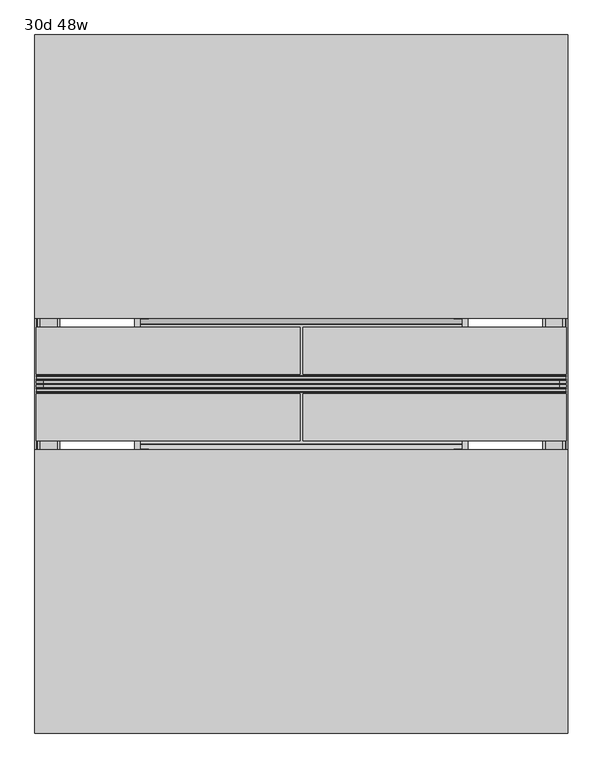
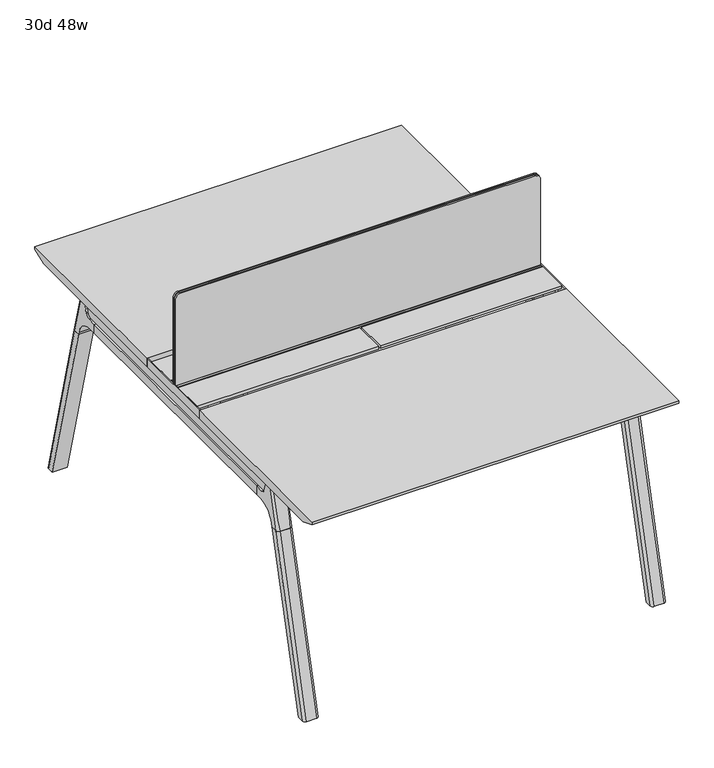
"""IFC4 building model written with IfcOpenShell, lengths in millimetres: furniture geometry, 30d 48w."""

from ifc_helpers import new_model, si_unit, point, frame, frame_2d, origin, place, context, project, spatial, polyline, circle_curve, ellipse_curve, trimmed, segment, composite_curve, outline, extrude, source, transform, mapped, element, save
from ifc_brep_helpers import plane_surface, cylinder_surface, revolved_surface, advanced_brep


def furniture_30d_48w_00a833fe(model_context):
    return source(origin(), model_context, "Body", "SolidModel", [
        extrude(outline(composite_curve([segment(polyline([(1054.89375, 803.275), (1054.89375, -371.475)]), True, "CONTINUOUS"), segment(trimmed(circle_curve(frame_2d((1039.01875, -371.475)), 15.875), [point((1054.89375, -371.475))], [point((1039.01875, -387.35))], False, "CARTESIAN"), True, "CONTINUOUS"), segment(polyline([(1039.01875, -387.35), (720.725, -387.35), (720.725, 819.15), (1039.01875, 819.15)]), True, "CONTINUOUS"), segment(trimmed(circle_curve(frame_2d((1039.01875, 803.275)), 15.875), [point((1039.01875, 819.15))], [point((1054.89375, 803.275))], False, "CARTESIAN"), True, "CONTINUOUS")], self_intersect=False)), frame((0.0, -201.3409766, 0.0), z_axis=(0.0, 1.0, 0.0), x_axis=(0.0, 0.0, 1.0)), (0.0, 0.0, 1.0), 3.175),
        extrude(outline(composite_curve([segment(polyline([(1058.06875, 806.45), (1058.06875, -374.65)]), True, "CONTINUOUS"), segment(trimmed(circle_curve(frame_2d((1042.19375, -374.65)), 15.875), [point((1058.06875, -374.65))], [point((1042.19375, -390.525))], False, "CARTESIAN"), True, "CONTINUOUS"), segment(polyline([(1042.19375, -390.525), (717.55, -390.525), (717.55, 822.325), (1042.19375, 822.325)]), True, "CONTINUOUS"), segment(trimmed(circle_curve(frame_2d((1042.19375, 806.45)), 15.875), [point((1042.19375, 822.325))], [point((1058.06875, 806.45))], False, "CARTESIAN"), True, "CONTINUOUS")], self_intersect=False)), frame((0.0, -198.1659766, 0.0), z_axis=(0.0, 1.0, 0.0), x_axis=(0.0, 0.0, 1.0)), (0.0, 0.0, 1.0), 5.55625),
        extrude(outline(composite_curve([segment(polyline([(1058.06875, 806.45), (1058.06875, -374.65)]), True, "CONTINUOUS"), segment(trimmed(circle_curve(frame_2d((1042.19375, -374.65)), 15.875), [point((1058.06875, -374.65))], [point((1042.19375, -390.525))], False, "CARTESIAN"), True, "CONTINUOUS"), segment(polyline([(1042.19375, -390.525), (717.55, -390.525), (717.55, 822.325), (1042.19375, 822.325)]), True, "CONTINUOUS"), segment(trimmed(circle_curve(frame_2d((1042.19375, 806.45)), 15.875), [point((1042.19375, 822.325))], [point((1058.06875, 806.45))], False, "CARTESIAN"), True, "CONTINUOUS")], self_intersect=False)), frame((0.0, -206.8972266, 0.0), z_axis=(0.0, 1.0, 0.0), x_axis=(0.0, 0.0, 1.0)), (0.0, 0.0, 1.0), 5.55625),
        extrude(outline(polyline([(-348.9784469, 559.4636683), (-364.040663, 627.7843353), (-35.4662901, 627.7843353), (-50.5285062, 559.4636683), (-46.7502281, 557.2647146), (-46.7502281, 549.3667827), (-62.6252238, 521.8704736), (-336.8817293, 521.8704736), (-352.756725, 549.3667827), (-352.756725, 557.2647146), (-348.9784469, 559.4636683)])), frame((584.2, 0.0, 0.0), z_axis=(1.0, 0.0, 0.0), x_axis=(0.0, 1.0, 0.0)), (0.0, 0.0, 1.0), 12.7),
        extrude(outline(polyline([(-348.9784469, 559.4636683), (-364.040663, 627.7843353), (-35.4662901, 627.7843353), (-50.5285062, 559.4636683), (-46.7502281, 557.2647146), (-46.7502281, 549.3667827), (-62.6252238, 521.8704736), (-336.8817293, 521.8704736), (-352.756725, 549.3667827), (-352.756725, 557.2647146), (-348.9784469, 559.4636683)])), frame((-165.1, 0.0, 0.0), z_axis=(1.0, 0.0, 0.0), x_axis=(0.0, 1.0, 0.0)), (0.0, 0.0, 1.0), 12.7),
        extrude(outline(polyline([(-18.0090763, 698.5), (3.7767266, 698.5), (3.7767266, 697.2935087), (-17.4495292, 697.2935087), (-19.0070753, 695.7359626), (-49.1186716, 559.1528512), (-50.5285062, 559.4636683), (-20.404074, 696.1050023), (-18.0090763, 698.5)])), frame((-165.1, 0.0, 0.0), z_axis=(1.0, 0.0, 0.0), x_axis=(0.0, 1.0, 0.0)), (0.0, 0.0, 1.0), 31.8008024),
        extrude(outline(polyline([(-381.4978768, 698.5), (-379.1028791, 696.1050023), (-348.9784469, 559.4636683), (-350.3882815, 559.1528512), (-380.4998778, 695.7359626), (-382.0574239, 697.2935087), (-403.2836797, 697.2935087), (-403.2836797, 698.5), (-381.4978768, 698.5)])), frame((-165.1, 0.0, 0.0), z_axis=(1.0, 0.0, 0.0), x_axis=(0.0, 1.0, 0.0)), (0.0, 0.0, 1.0), 31.8008024),
        extrude(outline(polyline([(-18.0090763, 698.5), (3.7767266, 698.5), (3.7767266, 697.2935087), (-17.4495292, 697.2935087), (-19.0070753, 695.7359626), (-49.1186716, 559.1528512), (-50.5285062, 559.4636683), (-20.404074, 696.1050023), (-18.0090763, 698.5)])), frame((565.0991976, 0.0, 0.0), z_axis=(1.0, 0.0, 0.0), x_axis=(0.0, 1.0, 0.0)), (0.0, 0.0, 1.0), 31.8008024),
        extrude(outline(polyline([(-381.4978768, 698.5), (-379.1028791, 696.1050023), (-348.9784469, 559.4636683), (-350.3882815, 559.1528512), (-380.4998778, 695.7359626), (-382.0574239, 697.2935087), (-403.2836797, 697.2935087), (-403.2836797, 698.5), (-381.4978768, 698.5)])), frame((565.0991976, 0.0, 0.0), z_axis=(1.0, 0.0, 0.0), x_axis=(0.0, 1.0, 0.0)), (0.0, 0.0, 1.0), 31.8008024),
        extrude(outline(polyline([(-353.550475, 557.5934966), (-351.518477, 559.6254947), (-350.957211, 559.0642287), (-352.756725, 557.2647146), (-352.756725, 549.3667827), (-352.5317745, 548.5272622), (-337.4390802, 522.3859395), (-336.0037101, 521.5572272), (-63.503243, 521.5572272), (-62.0678729, 522.3859395), (-46.9751786, 548.5272622), (-46.7502281, 549.3667827), (-46.7502281, 557.2647146), (-48.5497421, 559.0642287), (-47.9884761, 559.6254947), (-45.9564781, 557.5934966), (-45.9564781, 549.2622828), (-46.2355217, 548.2208856), (-61.4868074, 521.8048744), (-63.2905581, 520.7634772), (-336.216395, 520.7634772), (-338.0201457, 521.8048744), (-353.2714314, 548.2208856), (-353.550475, 549.2622828), (-353.550475, 557.5934966)])), frame((-165.0492037, 0.0, 0.0), z_axis=(1.0, 0.0, 0.0), x_axis=(0.0, 1.0, 0.0)), (0.0, 0.0, 1.0), 761.9492037),
        extrude(outline(polyline([(-218.8034766, 715.9625), (-218.8034766, 741.3625), (-217.2159766, 741.3625), (-217.2159766, 720.725), (-210.8659766, 720.725), (-210.8659766, 741.3625), (-209.2784766, 741.3625), (-209.2784766, 717.55), (-190.2284766, 717.55), (-190.2284766, 741.3625), (-188.6409766, 741.3625), (-188.6409766, 720.725), (-182.2909766, 720.725), (-182.2909766, 741.3625), (-180.7034766, 741.3625), (-180.7034766, 715.9625), (-218.8034766, 715.9625)])), frame((-390.525, 0.0, 0.0), z_axis=(1.0, 0.0, 0.0), x_axis=(0.0, 1.0, 0.0)), (0.0, 0.0, 1.0), 1212.85),
        extrude(outline(composite_curve([segment(polyline([(328.0902734, 711.2), (319.0321726, 677.3947076)]), True, "CONTINUOUS"), segment(trimmed(circle_curve(frame_2d((303.6981001, 681.5034599)), 15.875), [point((319.0321726, 677.3947076))], [point((303.6981001, 665.6284599))], False, "CARTESIAN"), True, "CONTINUOUS"), segment(polyline([(303.6981001, 665.6284599), (-703.2050533, 665.6284599)]), True, "CONTINUOUS"), segment(trimmed(circle_curve(frame_2d((-703.2050533, 681.5034599)), 15.875), [point((-703.2050533, 665.6284599))], [point((-718.5391258, 677.3947076))], False, "CARTESIAN"), True, "CONTINUOUS"), segment(polyline([(-718.5391258, 677.3947076), (-727.5972266, 711.2), (328.0902734, 711.2)]), True, "CONTINUOUS")], self_intersect=False)), frame((774.7, 0.0, 0.0), z_axis=(1.0, 0.0, 0.0), x_axis=(0.0, 1.0, 0.0)), (0.0, 0.0, 1.0), 38.1),
        extrude(outline(polyline([(819.15, 267.7652734), (819.15, -667.2722266), (768.35, -667.2722266), (768.35, 267.7652734), (819.15, 267.7652734)])), frame((0.0, 0.0, 635.6476591), z_axis=(0.0, 0.0, 1.0), x_axis=(1.0, 0.0, 0.0)), (0.0, 0.0, 1.0), 29.9808008),
        extrude(outline(composite_curve([segment(polyline([(328.0902734, 711.2), (319.0321726, 677.3947076)]), True, "CONTINUOUS"), segment(trimmed(circle_curve(frame_2d((303.6981001, 681.5034599)), 15.875), [point((319.0321726, 677.3947076))], [point((303.6981001, 665.6284599))], False, "CARTESIAN"), True, "CONTINUOUS"), segment(polyline([(303.6981001, 665.6284599), (-703.2050533, 665.6284599)]), True, "CONTINUOUS"), segment(trimmed(circle_curve(frame_2d((-703.2050533, 681.5034599)), 15.875), [point((-703.2050533, 665.6284599))], [point((-718.5391258, 677.3947076))], False, "CARTESIAN"), True, "CONTINUOUS"), segment(polyline([(-718.5391258, 677.3947076), (-727.5972266, 711.2), (328.0902734, 711.2)]), True, "CONTINUOUS")], self_intersect=False)), frame((-381.0, 0.0, 0.0), z_axis=(1.0, 0.0, 0.0), x_axis=(0.0, 1.0, 0.0)), (0.0, 0.0, 1.0), 38.1),
        extrude(outline(polyline([(-336.55, 267.7652734), (-336.55, -667.2722266), (-387.35, -667.2722266), (-387.35, 267.7652734), (-336.55, 267.7652734)])), frame((0.0, 0.0, 635.6476591), z_axis=(0.0, 0.0, 1.0), x_axis=(1.0, 0.0, 0.0)), (0.0, 0.0, 1.0), 29.9808008),
        advanced_brep(
        [(768.35, -721.2935553, 711.2), (768.35, -712.2354545, 677.3947076), (768.35, -696.901382, 665.6284599), (768.35, -667.2722266, 665.6284599), (768.35, -667.2722266, 635.6476591), (768.35, -690.1434588, 635.6476591), (768.35, -754.5465633, 586.2294189), (768.35, -757.1047754, 576.6820411), (768.35, -778.2087453, 576.6820411), (768.35, -742.7601017, 711.2), (819.15, -757.1047754, 576.6820411), (819.15, -754.5465633, 586.2294189), (819.15, -690.1434588, 635.6476591), (819.15, -667.2722266, 635.6476591), (819.15, -667.2722266, 665.6284599), (819.15, -696.901382, 665.6284599), (819.15, -712.2354545, 677.3947076), (819.15, -721.2935553, 711.2), (819.15, -742.7601017, 711.2), (819.15, -778.2087453, 576.6820411), (774.6138162, -752.0149462, 711.2), (812.8861838, -752.0149462, 711.2), (809.625, -788.0589247, 576.6820411), (777.875, -788.0589247, 576.6820411)],
        [
            (0, 1),
            (1, 2, circle_curve(frame((768.35, -696.901382, 681.5034599), z_axis=(1.0, 0.0, 0.0), x_axis=(0.0, -1.0, 0.0)), 15.875)),
            (2, 3),
            (3, 4),
            (4, 5),
            (5, 6, circle_curve(frame((768.35, -690.1434588, 568.9726591), z_axis=(1.0, 0.0, 0.0), x_axis=(0.0, -1.0, 0.0)), 66.675)),
            (6, 7),
            (7, 8),
            (8, 9),
            (9, 0),
            (10, 11),
            (11, 12, circle_curve(frame((819.15, -690.1434588, 568.9726591), z_axis=(-1.0, 0.0, 0.0), x_axis=(0.0, -1.0, 0.0)), 66.675)),
            (12, 13),
            (13, 14),
            (14, 15),
            (15, 16, circle_curve(frame((819.15, -696.901382, 681.5034599), z_axis=(-1.0, 0.0, 0.0), x_axis=(0.0, -1.0, 0.0)), 15.875)),
            (16, 17),
            (17, 18),
            (18, 19),
            (19, 10),
            (17, 0),
            (9, 20, ellipse_curve(frame((777.875, -742.7601017, 711.2), z_axis=(0.0, 0.0, 1.0), x_axis=(0.0, -1.0, 0.0)), 9.8501793, 9.525)),
            (20, 21),
            (21, 18, ellipse_curve(frame((809.625, -742.7601017, 711.2), z_axis=(0.0, 0.0, 1.0), x_axis=(0.0, -1.0, 0.0)), 9.8501793, 9.525)),
            (16, 1),
            (15, 2),
            (14, 3),
            (13, 4),
            (12, 5),
            (11, 6),
            (10, 7),
            (19, 22, ellipse_curve(frame((809.625, -778.2087453, 576.6820411), z_axis=(0.0, 0.0, -1.0), x_axis=(0.0, -1.0, 0.0)), 9.8501793, 9.525)),
            (22, 23),
            (23, 8, ellipse_curve(frame((777.875, -778.2087453, 576.6820411), z_axis=(0.0, 0.0, -1.0), x_axis=(0.0, -1.0, 0.0)), 9.8501793, 9.525)),
            (20, 23, ellipse_curve(frame((777.875, -191.6892106, 2802.3641142), z_axis=(0.0, -0.9659258262890684, 0.2588190451025206), x_axis=(0.0, -0.2588190451025206, -0.9659258262890684)), 2304.1956354, 9.525)),
            (22, 21, ellipse_curve(frame((809.625, -191.6892106, 2802.3641142), z_axis=(0.0, -0.9659258262890684, 0.2588190451025206), x_axis=(0.0, -0.2588190451025206, -0.9659258262890684)), 2304.1956354, 9.525)),
        ],
        [
            plane_surface(frame((768.35, -752.0149462, 711.2), z_axis=(-1.0, 0.0, 0.0), x_axis=(0.0, 1.0, 0.0))),
            plane_surface(frame((819.15, -752.0149462, 711.2), z_axis=(1.0, 0.0, 0.0), x_axis=(0.0, -1.0, 0.0))),
            plane_surface(frame((768.35, -752.0149462, 711.2), z_axis=(0.0, 0.0, 1.0), x_axis=(1.0, 0.0, 0.0))),
            plane_surface(frame((768.35, -721.2935553, 711.2), z_axis=(0.0, 0.9659258262890683, 0.2588190451025207), x_axis=(1.0, 0.0, 0.0))),
            revolved_surface(polyline([(819.15, -712.776382, 681.5034599), (768.35, -712.776382, 681.5034599)]), (819.15, -696.901382, 681.5034599), (1.0, 0.0, 0.0)),
            plane_surface(frame((768.35, -696.901382, 665.6284599), z_axis=(0.0, 0.0, 1.0), x_axis=(1.0, 0.0, 0.0))),
            plane_surface(frame((768.35, -667.2722266, 665.6284599), z_axis=(0.0, 1.0, 0.0), x_axis=(1.0, 0.0, 0.0))),
            plane_surface(frame((768.35, -667.2722266, 635.6476591), z_axis=(0.0, 0.0, -1.0), x_axis=(1.0, 0.0, 0.0))),
            revolved_surface(polyline([(819.15, -756.8184587999999, 568.9726591), (768.35, -756.8184587999999, 568.9726591)]), (819.15, -690.1434588, 568.9726591), (1.0, 0.0, 0.0)),
            plane_surface(frame((768.35, -754.5465633, 586.2294189), z_axis=(0.0, 0.9659258262890693, -0.25881904510251696), x_axis=(1.0, 0.0, 0.0))),
            plane_surface(frame((768.35, -757.1047754, 576.6820411), z_axis=(0.0, 0.0, -1.0), x_axis=(1.0, 0.0, 0.0))),
            plane_surface(frame((768.35, -788.0589247, 576.6820411), z_axis=(0.0, -0.9659258262890684, 0.2588190451025206), x_axis=(1.0, 0.0, 0.0))),
            cylinder_surface(frame((777.875, -930.8176402, -2.4271979), z_axis=(0.0, -0.25482392474081483, -0.966987470125486), x_axis=(1.0, 0.0, 0.0)), 9.525),
            cylinder_surface(frame((809.625, -930.8176402, -2.4271979), z_axis=(0.0, -0.25482392474081483, -0.966987470125486), x_axis=(1.0, 0.0, 0.0)), 9.525),
        ],
        [
            (0, [[1, 2, 3, 4, 5, 6, 7, 8, 9, 10]]),
            (1, [[11, 12, 13, 14, 15, 16, 17, 18, 19, 20]]),
            (2, [[21, -10, 22, 23, 24, -18]]),
            (3, [[-1, -21, -17, 25]]),
            (4, [[-2, -25, -16, 26]]),
            (5, [[-3, -26, -15, 27]]),
            (6, [[-4, -27, -14, 28]]),
            (7, [[-5, -28, -13, 29]]),
            (8, [[-6, -29, -12, 30]]),
            (9, [[-7, -30, -11, 31]]),
            (10, [[-31, -20, 32, 33, 34, -8]]),
            (11, [[-23, 35, -33, 36]]),
            (12, [[-9, -34, -35, -22]]),
            (13, [[-19, -24, -36, -32]]),
        ],
    ),
        advanced_brep(
        [(768.35, -757.1047754, 576.6820411), (768.35, -909.0740466, 0.0), (768.35, -930.1780165, 0.0), (768.35, -778.2087453, 576.6820411), (819.15, -909.0740466, 0.0), (819.15, -757.1047754, 576.6820411), (819.15, -778.2087453, 576.6820411), (819.15, -930.1780165, 0.0), (777.875, -788.0589247, 576.6820411), (809.625, -788.0589247, 576.6820411), (809.625, -940.0281958, 0.0), (777.875, -940.0281958, 0.0)],
        [
            (0, 1),
            (1, 2),
            (2, 3),
            (3, 0),
            (4, 5),
            (5, 6),
            (6, 7),
            (7, 4),
            (5, 0),
            (3, 8, ellipse_curve(frame((777.875, -778.2087453, 576.6820411), z_axis=(0.0, 0.0, 1.0), x_axis=(0.0, -1.0, 0.0)), 9.8501793, 9.525)),
            (8, 9),
            (9, 6, ellipse_curve(frame((809.625, -778.2087453, 576.6820411), z_axis=(0.0, 0.0, 1.0), x_axis=(0.0, -1.0, 0.0)), 9.8501793, 9.525)),
            (4, 1),
            (7, 10, ellipse_curve(frame((809.625, -930.1780165, 0.0), z_axis=(0.0, 0.0, -1.0), x_axis=(0.0, -1.0, 0.0)), 9.8501793, 9.525)),
            (10, 11),
            (11, 2, ellipse_curve(frame((777.875, -930.1780165, 0.0), z_axis=(0.0, 0.0, -1.0), x_axis=(0.0, -1.0, 0.0)), 9.8501793, 9.525)),
            (8, 11),
            (10, 9),
        ],
        [
            plane_surface(frame((768.35, -788.0589247, 576.6820411), z_axis=(-1.0, 0.0, 0.0), x_axis=(0.0, 1.0, 0.0))),
            plane_surface(frame((819.15, -788.0589247, 576.6820411), z_axis=(1.0, 0.0, 0.0), x_axis=(0.0, -1.0, 0.0))),
            plane_surface(frame((768.35, -788.0589247, 576.6820411), z_axis=(0.0, 0.0, 1.0), x_axis=(1.0, 0.0, 0.0))),
            plane_surface(frame((768.35, -757.1047754, 576.6820411), z_axis=(0.0, 0.9669874701254844, -0.2548239247408208), x_axis=(1.0, 0.0, 0.0))),
            plane_surface(frame((768.35, -909.0740466, 0.0), z_axis=(0.0, 0.0, -1.0), x_axis=(1.0, 0.0, 0.0))),
            plane_surface(frame((768.35, -940.0281958, 0.0), z_axis=(0.0, -0.9669874701254855, 0.2548239247408166), x_axis=(1.0, 0.0, 0.0))),
            cylinder_surface(frame((777.875, -930.8176402, -2.4271979), z_axis=(0.0, -0.25482392474081483, -0.966987470125486), x_axis=(1.0, 0.0, 0.0)), 9.525),
            cylinder_surface(frame((809.625, -930.8176402, -2.4271979), z_axis=(0.0, -0.25482392474081483, -0.966987470125486), x_axis=(1.0, 0.0, 0.0)), 9.525),
        ],
        [
            (0, [[1, 2, 3, 4]]),
            (1, [[5, 6, 7, 8]]),
            (2, [[9, -4, 10, 11, 12, -6]]),
            (3, [[-1, -9, -5, 13]]),
            (4, [[-13, -8, 14, 15, 16, -2]]),
            (5, [[-11, 17, -15, 18]]),
            (6, [[-3, -16, -17, -10]]),
            (7, [[-7, -12, -18, -14]]),
        ],
    ),
        advanced_brep(
        [(819.15, 321.7866022, 711.2), (819.15, 312.7285014, 677.3947076), (819.15, 297.3944289, 665.6284599), (819.15, 267.7652734, 665.6284599), (819.15, 267.7652734, 635.6476591), (819.15, 290.6365057, 635.6476591), (819.15, 355.0396101, 586.2294189), (819.15, 357.5978223, 576.6820411), (819.15, 378.7017922, 576.6820411), (819.15, 343.2531486, 711.2), (768.35, 357.5978223, 576.6820411), (768.35, 355.0396101, 586.2294189), (768.35, 290.6365057, 635.6476591), (768.35, 267.7652734, 635.6476591), (768.35, 267.7652734, 665.6284599), (768.35, 297.3944289, 665.6284599), (768.35, 312.7285014, 677.3947076), (768.35, 321.7866022, 711.2), (768.35, 343.2531486, 711.2), (768.35, 378.7017922, 576.6820411), (812.8861838, 352.5079931, 711.2), (774.6138162, 352.5079931, 711.2), (777.875, 388.5519716, 576.6820411), (809.625, 388.5519716, 576.6820411)],
        [
            (0, 1),
            (1, 2, circle_curve(frame((819.15, 297.3944289, 681.5034599), z_axis=(-1.0, 0.0, 0.0), x_axis=(0.0, 1.0, 0.0)), 15.875)),
            (2, 3),
            (3, 4),
            (4, 5),
            (5, 6, circle_curve(frame((819.15, 290.6365057, 568.9726591), z_axis=(-1.0, 0.0, 0.0), x_axis=(0.0, 1.0, 0.0)), 66.675)),
            (6, 7),
            (7, 8),
            (8, 9),
            (9, 0),
            (10, 11),
            (11, 12, circle_curve(frame((768.35, 290.6365057, 568.9726591), z_axis=(1.0, 0.0, 0.0), x_axis=(0.0, 1.0, 0.0)), 66.675)),
            (12, 13),
            (13, 14),
            (14, 15),
            (15, 16, circle_curve(frame((768.35, 297.3944289, 681.5034599), z_axis=(1.0, 0.0, 0.0), x_axis=(0.0, 1.0, 0.0)), 15.875)),
            (16, 17),
            (17, 18),
            (18, 19),
            (19, 10),
            (17, 0),
            (9, 20, ellipse_curve(frame((809.625, 343.2531486, 711.2), z_axis=(0.0, 0.0, 1.0), x_axis=(0.0, 1.0, 0.0)), 9.8501793, 9.525)),
            (20, 21),
            (21, 18, ellipse_curve(frame((777.875, 343.2531486, 711.2), z_axis=(0.0, 0.0, 1.0), x_axis=(0.0, 1.0, 0.0)), 9.8501793, 9.525)),
            (16, 1),
            (15, 2),
            (14, 3),
            (13, 4),
            (12, 5),
            (11, 6),
            (10, 7),
            (19, 22, ellipse_curve(frame((777.875, 378.7017922, 576.6820411), z_axis=(0.0, 0.0, -1.0), x_axis=(0.0, 1.0, 0.0)), 9.8501793, 9.525)),
            (22, 23),
            (23, 8, ellipse_curve(frame((809.625, 378.7017922, 576.6820411), z_axis=(0.0, 0.0, -1.0), x_axis=(0.0, 1.0, 0.0)), 9.8501793, 9.525)),
            (20, 23, ellipse_curve(frame((809.625, -207.8177425, 2802.3641142), z_axis=(0.0, 0.9659258262890684, 0.2588190451025206), x_axis=(0.0, 0.2588190451025206, -0.9659258262890684)), 2304.1956354, 9.525)),
            (22, 21, ellipse_curve(frame((777.875, -207.8177425, 2802.3641142), z_axis=(0.0, 0.9659258262890684, 0.2588190451025206), x_axis=(0.0, 0.2588190451025206, -0.9659258262890684)), 2304.1956354, 9.525)),
        ],
        [
            plane_surface(frame((819.15, 352.5079931, 711.2), z_axis=(1.0, 0.0, 0.0), x_axis=(0.0, -1.0, 0.0))),
            plane_surface(frame((768.35, 352.5079931, 711.2), z_axis=(-1.0, 0.0, 0.0), x_axis=(0.0, 1.0, 0.0))),
            plane_surface(frame((819.15, 352.5079931, 711.2), z_axis=(0.0, 0.0, 1.0), x_axis=(-1.0, 0.0, 0.0))),
            plane_surface(frame((819.15, 321.7866022, 711.2), z_axis=(0.0, -0.9659258262890683, 0.2588190451025207), x_axis=(-1.0, 0.0, 0.0))),
            revolved_surface(polyline([(768.35, 313.2694289, 681.5034599), (819.15, 313.2694289, 681.5034599)]), (768.35, 297.3944289, 681.5034599), (-1.0, 0.0, 0.0)),
            plane_surface(frame((819.15, 297.3944289, 665.6284599), z_axis=(0.0, 0.0, 1.0), x_axis=(-1.0, 0.0, 0.0))),
            plane_surface(frame((819.15, 267.7652734, 665.6284599), z_axis=(0.0, -1.0, 0.0), x_axis=(-1.0, 0.0, 0.0))),
            plane_surface(frame((819.15, 267.7652734, 635.6476591), z_axis=(0.0, 0.0, -1.0), x_axis=(-1.0, 0.0, 0.0))),
            revolved_surface(polyline([(768.35, 357.3115057, 568.9726591), (819.15, 357.3115057, 568.9726591)]), (768.35, 290.6365057, 568.9726591), (-1.0, 0.0, 0.0)),
            plane_surface(frame((819.15, 355.0396101, 586.2294189), z_axis=(0.0, -0.9659258262890693, -0.25881904510251696), x_axis=(-1.0, 0.0, 0.0))),
            plane_surface(frame((819.15, 357.5978223, 576.6820411), z_axis=(0.0, 0.0, -1.0), x_axis=(-1.0, 0.0, 0.0))),
            plane_surface(frame((819.15, 388.5519716, 576.6820411), z_axis=(0.0, 0.9659258262890684, 0.2588190451025206), x_axis=(-1.0, 0.0, 0.0))),
            cylinder_surface(frame((809.625, 531.3106871, -2.4271979), z_axis=(0.0, 0.25482392474081483, -0.966987470125486), x_axis=(-1.0, 0.0, 0.0)), 9.525),
            cylinder_surface(frame((777.875, 531.3106871, -2.4271979), z_axis=(0.0, 0.25482392474081483, -0.966987470125486), x_axis=(-1.0, 0.0, 0.0)), 9.525),
        ],
        [
            (0, [[1, 2, 3, 4, 5, 6, 7, 8, 9, 10]]),
            (1, [[11, 12, 13, 14, 15, 16, 17, 18, 19, 20]]),
            (2, [[21, -10, 22, 23, 24, -18]]),
            (3, [[-1, -21, -17, 25]]),
            (4, [[-2, -25, -16, 26]]),
            (5, [[-3, -26, -15, 27]]),
            (6, [[-4, -27, -14, 28]]),
            (7, [[-5, -28, -13, 29]]),
            (8, [[-6, -29, -12, 30]]),
            (9, [[-7, -30, -11, 31]]),
            (10, [[-31, -20, 32, 33, 34, -8]]),
            (11, [[-23, 35, -33, 36]]),
            (12, [[-9, -34, -35, -22]]),
            (13, [[-19, -24, -36, -32]]),
        ],
    ),
        advanced_brep(
        [(819.15, 357.5978223, 576.6820411), (819.15, 509.5670935, 0.0), (819.15, 530.6710634, 0.0), (819.15, 378.7017922, 576.6820411), (768.35, 509.5670935, 0.0), (768.35, 357.5978223, 576.6820411), (768.35, 378.7017922, 576.6820411), (768.35, 530.6710634, 0.0), (809.625, 388.5519716, 576.6820411), (777.875, 388.5519716, 576.6820411), (777.875, 540.5212427, 0.0), (809.625, 540.5212427, 0.0)],
        [
            (0, 1),
            (1, 2),
            (2, 3),
            (3, 0),
            (4, 5),
            (5, 6),
            (6, 7),
            (7, 4),
            (5, 0),
            (3, 8, ellipse_curve(frame((809.625, 378.7017922, 576.6820411), z_axis=(0.0, 0.0, 1.0), x_axis=(0.0, 1.0, 0.0)), 9.8501793, 9.525)),
            (8, 9),
            (9, 6, ellipse_curve(frame((777.875, 378.7017922, 576.6820411), z_axis=(0.0, 0.0, 1.0), x_axis=(0.0, 1.0, 0.0)), 9.8501793, 9.525)),
            (4, 1),
            (7, 10, ellipse_curve(frame((777.875, 530.6710634, 0.0), z_axis=(0.0, 0.0, -1.0), x_axis=(0.0, 1.0, 0.0)), 9.8501793, 9.525)),
            (10, 11),
            (11, 2, ellipse_curve(frame((809.625, 530.6710634, 0.0), z_axis=(0.0, 0.0, -1.0), x_axis=(0.0, 1.0, 0.0)), 9.8501793, 9.525)),
            (8, 11),
            (10, 9),
        ],
        [
            plane_surface(frame((819.15, 388.5519716, 576.6820411), z_axis=(1.0, 0.0, 0.0), x_axis=(0.0, -1.0, 0.0))),
            plane_surface(frame((768.35, 388.5519716, 576.6820411), z_axis=(-1.0, 0.0, 0.0), x_axis=(0.0, 1.0, 0.0))),
            plane_surface(frame((819.15, 388.5519716, 576.6820411), z_axis=(0.0, 0.0, 1.0), x_axis=(-1.0, 0.0, 0.0))),
            plane_surface(frame((819.15, 357.5978223, 576.6820411), z_axis=(0.0, -0.9669874701254844, -0.2548239247408208), x_axis=(-1.0, 0.0, 0.0))),
            plane_surface(frame((819.15, 509.5670935, 0.0), z_axis=(0.0, 0.0, -1.0), x_axis=(-1.0, 0.0, 0.0))),
            plane_surface(frame((819.15, 540.5212427, 0.0), z_axis=(0.0, 0.9669874701254855, 0.2548239247408166), x_axis=(-1.0, 0.0, 0.0))),
            cylinder_surface(frame((809.625, 531.3106871, -2.4271979), z_axis=(0.0, 0.25482392474081483, -0.966987470125486), x_axis=(-1.0, 0.0, 0.0)), 9.525),
            cylinder_surface(frame((777.875, 531.3106871, -2.4271979), z_axis=(0.0, 0.25482392474081483, -0.966987470125486), x_axis=(-1.0, 0.0, 0.0)), 9.525),
        ],
        [
            (0, [[1, 2, 3, 4]]),
            (1, [[5, 6, 7, 8]]),
            (2, [[9, -4, 10, 11, 12, -6]]),
            (3, [[-1, -9, -5, 13]]),
            (4, [[-13, -8, 14, 15, 16, -2]]),
            (5, [[-11, 17, -15, 18]]),
            (6, [[-3, -16, -17, -10]]),
            (7, [[-7, -12, -18, -14]]),
        ],
    ),
        advanced_brep(
        [(-336.55, 321.7866022, 711.2), (-336.55, 312.7285014, 677.3947076), (-336.55, 297.3944289, 665.6284599), (-336.55, 267.7652734, 665.6284599), (-336.55, 267.7652734, 635.6476591), (-336.55, 290.6365057, 635.6476591), (-336.55, 355.0396101, 586.2294189), (-336.55, 357.5978223, 576.6820411), (-336.55, 378.7017922, 576.6820411), (-336.55, 343.2531486, 711.2), (-387.35, 357.5978223, 576.6820411), (-387.35, 355.0396101, 586.2294189), (-387.35, 290.6365057, 635.6476591), (-387.35, 267.7652734, 635.6476591), (-387.35, 267.7652734, 665.6284599), (-387.35, 297.3944289, 665.6284599), (-387.35, 312.7285014, 677.3947076), (-387.35, 321.7866022, 711.2), (-387.35, 343.2531486, 711.2), (-387.35, 378.7017922, 576.6820411), (-342.8138162, 352.5079931, 711.2), (-381.0861838, 352.5079931, 711.2), (-377.825, 388.5519716, 576.6820411), (-346.075, 388.5519716, 576.6820411)],
        [
            (0, 1),
            (1, 2, circle_curve(frame((-336.55, 297.3944289, 681.5034599), z_axis=(-1.0, 0.0, 0.0), x_axis=(0.0, 1.0, 0.0)), 15.875)),
            (2, 3),
            (3, 4),
            (4, 5),
            (5, 6, circle_curve(frame((-336.55, 290.6365057, 568.9726591), z_axis=(-1.0, 0.0, 0.0), x_axis=(0.0, 1.0, 0.0)), 66.675)),
            (6, 7),
            (7, 8),
            (8, 9),
            (9, 0),
            (10, 11),
            (11, 12, circle_curve(frame((-387.35, 290.6365057, 568.9726591), z_axis=(1.0, 0.0, 0.0), x_axis=(0.0, 1.0, 0.0)), 66.675)),
            (12, 13),
            (13, 14),
            (14, 15),
            (15, 16, circle_curve(frame((-387.35, 297.3944289, 681.5034599), z_axis=(1.0, 0.0, 0.0), x_axis=(0.0, 1.0, 0.0)), 15.875)),
            (16, 17),
            (17, 18),
            (18, 19),
            (19, 10),
            (17, 0),
            (9, 20, ellipse_curve(frame((-346.075, 343.2531486, 711.2), z_axis=(0.0, 0.0, 1.0), x_axis=(0.0, 1.0, 0.0)), 9.8501793, 9.525)),
            (20, 21),
            (21, 18, ellipse_curve(frame((-377.825, 343.2531486, 711.2), z_axis=(0.0, 0.0, 1.0), x_axis=(0.0, 1.0, 0.0)), 9.8501793, 9.525)),
            (16, 1),
            (15, 2),
            (14, 3),
            (13, 4),
            (12, 5),
            (11, 6),
            (10, 7),
            (19, 22, ellipse_curve(frame((-377.825, 378.7017922, 576.6820411), z_axis=(0.0, 0.0, -1.0), x_axis=(0.0, 1.0, 0.0)), 9.8501793, 9.525)),
            (22, 23),
            (23, 8, ellipse_curve(frame((-346.075, 378.7017922, 576.6820411), z_axis=(0.0, 0.0, -1.0), x_axis=(0.0, 1.0, 0.0)), 9.8501793, 9.525)),
            (20, 23, ellipse_curve(frame((-346.075, -207.8177425, 2802.3641142), z_axis=(0.0, 0.9659258262890684, 0.2588190451025206), x_axis=(0.0, 0.2588190451025206, -0.9659258262890684)), 2304.1956354, 9.525)),
            (22, 21, ellipse_curve(frame((-377.825, -207.8177425, 2802.3641142), z_axis=(0.0, 0.9659258262890684, 0.2588190451025206), x_axis=(0.0, 0.2588190451025206, -0.9659258262890684)), 2304.1956354, 9.525)),
        ],
        [
            plane_surface(frame((-336.55, 352.5079931, 711.2), z_axis=(1.0, 0.0, 0.0), x_axis=(0.0, -1.0, 0.0))),
            plane_surface(frame((-387.35, 352.5079931, 711.2), z_axis=(-1.0, 0.0, 0.0), x_axis=(0.0, 1.0, 0.0))),
            plane_surface(frame((-336.55, 352.5079931, 711.2), z_axis=(0.0, 0.0, 1.0), x_axis=(-1.0, 0.0, 0.0))),
            plane_surface(frame((-336.55, 321.7866022, 711.2), z_axis=(0.0, -0.9659258262890683, 0.2588190451025207), x_axis=(-1.0, 0.0, 0.0))),
            revolved_surface(polyline([(-387.35, 313.2694289, 681.5034599), (-336.55, 313.2694289, 681.5034599)]), (-387.35, 297.3944289, 681.5034599), (-1.0, 0.0, 0.0)),
            plane_surface(frame((-336.55, 297.3944289, 665.6284599), z_axis=(0.0, 0.0, 1.0), x_axis=(-1.0, 0.0, 0.0))),
            plane_surface(frame((-336.55, 267.7652734, 665.6284599), z_axis=(0.0, -1.0, 0.0), x_axis=(-1.0, 0.0, 0.0))),
            plane_surface(frame((-336.55, 267.7652734, 635.6476591), z_axis=(0.0, 0.0, -1.0), x_axis=(-1.0, 0.0, 0.0))),
            revolved_surface(polyline([(-387.35, 357.3115057, 568.9726591), (-336.55, 357.3115057, 568.9726591)]), (-387.35, 290.6365057, 568.9726591), (-1.0, 0.0, 0.0)),
            plane_surface(frame((-336.55, 355.0396101, 586.2294189), z_axis=(0.0, -0.9659258262890693, -0.25881904510251696), x_axis=(-1.0, 0.0, 0.0))),
            plane_surface(frame((-336.55, 357.5978223, 576.6820411), z_axis=(0.0, 0.0, -1.0), x_axis=(-1.0, 0.0, 0.0))),
            plane_surface(frame((-336.55, 388.5519716, 576.6820411), z_axis=(0.0, 0.9659258262890684, 0.2588190451025206), x_axis=(-1.0, 0.0, 0.0))),
            cylinder_surface(frame((-346.075, 531.3106871, -2.4271979), z_axis=(0.0, 0.25482392474081483, -0.966987470125486), x_axis=(-1.0, 0.0, 0.0)), 9.525),
            cylinder_surface(frame((-377.825, 531.3106871, -2.4271979), z_axis=(0.0, 0.25482392474081483, -0.966987470125486), x_axis=(-1.0, 0.0, 0.0)), 9.525),
        ],
        [
            (0, [[1, 2, 3, 4, 5, 6, 7, 8, 9, 10]]),
            (1, [[11, 12, 13, 14, 15, 16, 17, 18, 19, 20]]),
            (2, [[21, -10, 22, 23, 24, -18]]),
            (3, [[-1, -21, -17, 25]]),
            (4, [[-2, -25, -16, 26]]),
            (5, [[-3, -26, -15, 27]]),
            (6, [[-4, -27, -14, 28]]),
            (7, [[-5, -28, -13, 29]]),
            (8, [[-6, -29, -12, 30]]),
            (9, [[-7, -30, -11, 31]]),
            (10, [[-31, -20, 32, 33, 34, -8]]),
            (11, [[-23, 35, -33, 36]]),
            (12, [[-9, -34, -35, -22]]),
            (13, [[-19, -24, -36, -32]]),
        ],
    ),
        advanced_brep(
        [(-336.55, 357.5978223, 576.6820411), (-336.55, 509.5670935, 0.0), (-336.55, 530.6710634, 0.0), (-336.55, 378.7017922, 576.6820411), (-387.35, 509.5670935, 0.0), (-387.35, 357.5978223, 576.6820411), (-387.35, 378.7017922, 576.6820411), (-387.35, 530.6710634, 0.0), (-346.075, 388.5519716, 576.6820411), (-377.825, 388.5519716, 576.6820411), (-377.825, 540.5212427, 0.0), (-346.075, 540.5212427, 0.0)],
        [
            (0, 1),
            (1, 2),
            (2, 3),
            (3, 0),
            (4, 5),
            (5, 6),
            (6, 7),
            (7, 4),
            (5, 0),
            (3, 8, ellipse_curve(frame((-346.075, 378.7017922, 576.6820411), z_axis=(0.0, 0.0, 1.0), x_axis=(0.0, 1.0, 0.0)), 9.8501793, 9.525)),
            (8, 9),
            (9, 6, ellipse_curve(frame((-377.825, 378.7017922, 576.6820411), z_axis=(0.0, 0.0, 1.0), x_axis=(0.0, 1.0, 0.0)), 9.8501793, 9.525)),
            (4, 1),
            (7, 10, ellipse_curve(frame((-377.825, 530.6710634, 0.0), z_axis=(0.0, 0.0, -1.0), x_axis=(0.0, 1.0, 0.0)), 9.8501793, 9.525)),
            (10, 11),
            (11, 2, ellipse_curve(frame((-346.075, 530.6710634, 0.0), z_axis=(0.0, 0.0, -1.0), x_axis=(0.0, 1.0, 0.0)), 9.8501793, 9.525)),
            (8, 11),
            (10, 9),
        ],
        [
            plane_surface(frame((-336.55, 388.5519716, 576.6820411), z_axis=(1.0, 0.0, 0.0), x_axis=(0.0, -1.0, 0.0))),
            plane_surface(frame((-387.35, 388.5519716, 576.6820411), z_axis=(-1.0, 0.0, 0.0), x_axis=(0.0, 1.0, 0.0))),
            plane_surface(frame((-336.55, 388.5519716, 576.6820411), z_axis=(0.0, 0.0, 1.0), x_axis=(-1.0, 0.0, 0.0))),
            plane_surface(frame((-336.55, 357.5978223, 576.6820411), z_axis=(0.0, -0.9669874701254844, -0.2548239247408208), x_axis=(-1.0, 0.0, 0.0))),
            plane_surface(frame((-336.55, 509.5670935, 0.0), z_axis=(0.0, 0.0, -1.0), x_axis=(-1.0, 0.0, 0.0))),
            plane_surface(frame((-336.55, 540.5212427, 0.0), z_axis=(0.0, 0.9669874701254855, 0.2548239247408166), x_axis=(-1.0, 0.0, 0.0))),
            cylinder_surface(frame((-346.075, 531.3106871, -2.4271979), z_axis=(0.0, 0.25482392474081483, -0.966987470125486), x_axis=(-1.0, 0.0, 0.0)), 9.525),
            cylinder_surface(frame((-377.825, 531.3106871, -2.4271979), z_axis=(0.0, 0.25482392474081483, -0.966987470125486), x_axis=(-1.0, 0.0, 0.0)), 9.525),
        ],
        [
            (0, [[1, 2, 3, 4]]),
            (1, [[5, 6, 7, 8]]),
            (2, [[9, -4, 10, 11, 12, -6]]),
            (3, [[-1, -9, -5, 13]]),
            (4, [[-13, -8, 14, 15, 16, -2]]),
            (5, [[-11, 17, -15, 18]]),
            (6, [[-3, -16, -17, -10]]),
            (7, [[-7, -12, -18, -14]]),
        ],
    ),
        advanced_brep(
        [(-387.35, -721.2935553, 711.2), (-387.35, -712.2354545, 677.3947076), (-387.35, -696.901382, 665.6284599), (-387.35, -667.2722266, 665.6284599), (-387.35, -667.2722266, 635.6476591), (-387.35, -690.1434588, 635.6476591), (-387.35, -754.5465633, 586.2294189), (-387.35, -757.1047754, 576.6820411), (-387.35, -778.2087453, 576.6820411), (-387.35, -742.7601017, 711.2), (-336.55, -757.1047754, 576.6820411), (-336.55, -754.5465633, 586.2294189), (-336.55, -690.1434588, 635.6476591), (-336.55, -667.2722266, 635.6476591), (-336.55, -667.2722266, 665.6284599), (-336.55, -696.901382, 665.6284599), (-336.55, -712.2354545, 677.3947076), (-336.55, -721.2935553, 711.2), (-336.55, -742.7601017, 711.2), (-336.55, -778.2087453, 576.6820411), (-381.0861838, -752.0149462, 711.2), (-342.8138162, -752.0149462, 711.2), (-346.075, -788.0589247, 576.6820411), (-377.825, -788.0589247, 576.6820411)],
        [
            (0, 1),
            (1, 2, circle_curve(frame((-387.35, -696.901382, 681.5034599), z_axis=(1.0, 0.0, 0.0), x_axis=(0.0, -1.0, 0.0)), 15.875)),
            (2, 3),
            (3, 4),
            (4, 5),
            (5, 6, circle_curve(frame((-387.35, -690.1434588, 568.9726591), z_axis=(1.0, 0.0, 0.0), x_axis=(0.0, -1.0, 0.0)), 66.675)),
            (6, 7),
            (7, 8),
            (8, 9),
            (9, 0),
            (10, 11),
            (11, 12, circle_curve(frame((-336.55, -690.1434588, 568.9726591), z_axis=(-1.0, 0.0, 0.0), x_axis=(0.0, -1.0, 0.0)), 66.675)),
            (12, 13),
            (13, 14),
            (14, 15),
            (15, 16, circle_curve(frame((-336.55, -696.901382, 681.5034599), z_axis=(-1.0, 0.0, 0.0), x_axis=(0.0, -1.0, 0.0)), 15.875)),
            (16, 17),
            (17, 18),
            (18, 19),
            (19, 10),
            (17, 0),
            (9, 20, ellipse_curve(frame((-377.825, -742.7601017, 711.2), z_axis=(0.0, 0.0, 1.0), x_axis=(0.0, -1.0, 0.0)), 9.8501793, 9.525)),
            (20, 21),
            (21, 18, ellipse_curve(frame((-346.075, -742.7601017, 711.2), z_axis=(0.0, 0.0, 1.0), x_axis=(0.0, -1.0, 0.0)), 9.8501793, 9.525)),
            (16, 1),
            (15, 2),
            (14, 3),
            (13, 4),
            (12, 5),
            (11, 6),
            (10, 7),
            (19, 22, ellipse_curve(frame((-346.075, -778.2087453, 576.6820411), z_axis=(0.0, 0.0, -1.0), x_axis=(0.0, -1.0, 0.0)), 9.8501793, 9.525)),
            (22, 23),
            (23, 8, ellipse_curve(frame((-377.825, -778.2087453, 576.6820411), z_axis=(0.0, 0.0, -1.0), x_axis=(0.0, -1.0, 0.0)), 9.8501793, 9.525)),
            (20, 23, ellipse_curve(frame((-377.825, -191.6892106, 2802.3641142), z_axis=(0.0, -0.9659258262890684, 0.2588190451025206), x_axis=(0.0, -0.2588190451025206, -0.9659258262890684)), 2304.1956354, 9.525)),
            (22, 21, ellipse_curve(frame((-346.075, -191.6892106, 2802.3641142), z_axis=(0.0, -0.9659258262890684, 0.2588190451025206), x_axis=(0.0, -0.2588190451025206, -0.9659258262890684)), 2304.1956354, 9.525)),
        ],
        [
            plane_surface(frame((-387.35, -752.0149462, 711.2), z_axis=(-1.0, 0.0, 0.0), x_axis=(0.0, 1.0, 0.0))),
            plane_surface(frame((-336.55, -752.0149462, 711.2), z_axis=(1.0, 0.0, 0.0), x_axis=(0.0, -1.0, 0.0))),
            plane_surface(frame((-387.35, -752.0149462, 711.2), z_axis=(0.0, 0.0, 1.0), x_axis=(1.0, 0.0, 0.0))),
            plane_surface(frame((-387.35, -721.2935553, 711.2), z_axis=(0.0, 0.9659258262890683, 0.2588190451025207), x_axis=(1.0, 0.0, 0.0))),
            revolved_surface(polyline([(-336.55, -712.776382, 681.5034599), (-387.35, -712.776382, 681.5034599)]), (-336.55, -696.901382, 681.5034599), (1.0, 0.0, 0.0)),
            plane_surface(frame((-387.35, -696.901382, 665.6284599), z_axis=(0.0, 0.0, 1.0), x_axis=(1.0, 0.0, 0.0))),
            plane_surface(frame((-387.35, -667.2722266, 665.6284599), z_axis=(0.0, 1.0, 0.0), x_axis=(1.0, 0.0, 0.0))),
            plane_surface(frame((-387.35, -667.2722266, 635.6476591), z_axis=(0.0, 0.0, -1.0), x_axis=(1.0, 0.0, 0.0))),
            revolved_surface(polyline([(-336.55, -756.8184587999999, 568.9726591), (-387.35, -756.8184587999999, 568.9726591)]), (-336.55, -690.1434588, 568.9726591), (1.0, 0.0, 0.0)),
            plane_surface(frame((-387.35, -754.5465633, 586.2294189), z_axis=(0.0, 0.9659258262890693, -0.25881904510251696), x_axis=(1.0, 0.0, 0.0))),
            plane_surface(frame((-387.35, -757.1047754, 576.6820411), z_axis=(0.0, 0.0, -1.0), x_axis=(1.0, 0.0, 0.0))),
            plane_surface(frame((-387.35, -788.0589247, 576.6820411), z_axis=(0.0, -0.9659258262890684, 0.2588190451025206), x_axis=(1.0, 0.0, 0.0))),
            cylinder_surface(frame((-377.825, -930.8176402, -2.4271979), z_axis=(0.0, -0.25482392474081483, -0.966987470125486), x_axis=(1.0, 0.0, 0.0)), 9.525),
            cylinder_surface(frame((-346.075, -930.8176402, -2.4271979), z_axis=(0.0, -0.25482392474081483, -0.966987470125486), x_axis=(1.0, 0.0, 0.0)), 9.525),
        ],
        [
            (0, [[1, 2, 3, 4, 5, 6, 7, 8, 9, 10]]),
            (1, [[11, 12, 13, 14, 15, 16, 17, 18, 19, 20]]),
            (2, [[21, -10, 22, 23, 24, -18]]),
            (3, [[-1, -21, -17, 25]]),
            (4, [[-2, -25, -16, 26]]),
            (5, [[-3, -26, -15, 27]]),
            (6, [[-4, -27, -14, 28]]),
            (7, [[-5, -28, -13, 29]]),
            (8, [[-6, -29, -12, 30]]),
            (9, [[-7, -30, -11, 31]]),
            (10, [[-31, -20, 32, 33, 34, -8]]),
            (11, [[-23, 35, -33, 36]]),
            (12, [[-9, -34, -35, -22]]),
            (13, [[-19, -24, -36, -32]]),
        ],
    ),
        advanced_brep(
        [(-387.35, -757.1047754, 576.6820411), (-387.35, -909.0740466, 0.0), (-387.35, -930.1780165, 0.0), (-387.35, -778.2087453, 576.6820411), (-336.55, -909.0740466, 0.0), (-336.55, -757.1047754, 576.6820411), (-336.55, -778.2087453, 576.6820411), (-336.55, -930.1780165, 0.0), (-377.825, -788.0589247, 576.6820411), (-346.075, -788.0589247, 576.6820411), (-346.075, -940.0281958, 0.0), (-377.825, -940.0281958, 0.0)],
        [
            (0, 1),
            (1, 2),
            (2, 3),
            (3, 0),
            (4, 5),
            (5, 6),
            (6, 7),
            (7, 4),
            (5, 0),
            (3, 8, ellipse_curve(frame((-377.825, -778.2087453, 576.6820411), z_axis=(0.0, 0.0, 1.0), x_axis=(0.0, -1.0, 0.0)), 9.8501793, 9.525)),
            (8, 9),
            (9, 6, ellipse_curve(frame((-346.075, -778.2087453, 576.6820411), z_axis=(0.0, 0.0, 1.0), x_axis=(0.0, -1.0, 0.0)), 9.8501793, 9.525)),
            (4, 1),
            (7, 10, ellipse_curve(frame((-346.075, -930.1780165, 0.0), z_axis=(0.0, 0.0, -1.0), x_axis=(0.0, -1.0, 0.0)), 9.8501793, 9.525)),
            (10, 11),
            (11, 2, ellipse_curve(frame((-377.825, -930.1780165, 0.0), z_axis=(0.0, 0.0, -1.0), x_axis=(0.0, -1.0, 0.0)), 9.8501793, 9.525)),
            (8, 11),
            (10, 9),
        ],
        [
            plane_surface(frame((-387.35, -788.0589247, 576.6820411), z_axis=(-1.0, 0.0, 0.0), x_axis=(0.0, 1.0, 0.0))),
            plane_surface(frame((-336.55, -788.0589247, 576.6820411), z_axis=(1.0, 0.0, 0.0), x_axis=(0.0, -1.0, 0.0))),
            plane_surface(frame((-387.35, -788.0589247, 576.6820411), z_axis=(0.0, 0.0, 1.0), x_axis=(1.0, 0.0, 0.0))),
            plane_surface(frame((-387.35, -757.1047754, 576.6820411), z_axis=(0.0, 0.9669874701254844, -0.2548239247408208), x_axis=(1.0, 0.0, 0.0))),
            plane_surface(frame((-387.35, -909.0740466, 0.0), z_axis=(0.0, 0.0, -1.0), x_axis=(1.0, 0.0, 0.0))),
            plane_surface(frame((-387.35, -940.0281958, 0.0), z_axis=(0.0, -0.9669874701254855, 0.2548239247408166), x_axis=(1.0, 0.0, 0.0))),
            cylinder_surface(frame((-377.825, -930.8176402, -2.4271979), z_axis=(0.0, -0.25482392474081483, -0.966987470125486), x_axis=(1.0, 0.0, 0.0)), 9.525),
            cylinder_surface(frame((-346.075, -930.8176402, -2.4271979), z_axis=(0.0, -0.25482392474081483, -0.966987470125486), x_axis=(1.0, 0.0, 0.0)), 9.525),
        ],
        [
            (0, [[1, 2, 3, 4]]),
            (1, [[5, 6, 7, 8]]),
            (2, [[9, -4, 10, 11, 12, -6]]),
            (3, [[-1, -9, -5, 13]]),
            (4, [[-13, -8, 14, 15, 16, -2]]),
            (5, [[-11, 17, -15, 18]]),
            (6, [[-3, -16, -17, -10]]),
            (7, [[-7, -12, -18, -14]]),
        ],
    ),
        extrude(outline(polyline([(-49.7347266, 741.3625), (597.9652734, 741.3625), (597.9652734, 731.8375), (547.1652734, 711.2), (-49.7347266, 711.2), (-49.7347266, 741.3625)])), frame((-393.7, 0.0, 0.0), z_axis=(1.0, 0.0, 0.0), x_axis=(0.0, 1.0, 0.0)), (0.0, 0.0, 1.0), 1219.2),
        extrude(outline(polyline([(-997.4722266, 741.3625), (-349.7722266, 741.3625), (-349.7722266, 711.2), (-946.6722266, 711.2), (-997.4722266, 731.8375), (-997.4722266, 741.3625)])), frame((-393.7, 0.0, 0.0), z_axis=(1.0, 0.0, 0.0), x_axis=(0.0, 1.0, 0.0)), (0.0, 0.0, 1.0), 1219.2),
        extrude(outline(polyline([(212.725, -69.5784766), (212.725, -177.5284766), (-390.525, -177.5284766), (-390.525, -69.5784766), (212.725, -69.5784766)])), frame((0.0, 0.0, 731.8375), z_axis=(0.0, 0.0, 1.0), x_axis=(1.0, 0.0, 0.0)), (0.0, 0.0, 1.0), 9.525),
        extrude(outline(polyline([(212.725, -221.9784766), (212.725, -329.9284766), (-390.525, -329.9284766), (-390.525, -221.9784766), (212.725, -221.9784766)])), frame((0.0, 0.0, 731.8375), z_axis=(0.0, 0.0, 1.0), x_axis=(1.0, 0.0, 0.0)), (0.0, 0.0, 1.0), 9.525),
        extrude(outline(polyline([(822.325, -69.5784766), (822.325, -177.5284766), (219.075, -177.5284766), (219.075, -69.5784766), (822.325, -69.5784766)])), frame((0.0, 0.0, 731.8375), z_axis=(0.0, 0.0, 1.0), x_axis=(1.0, 0.0, 0.0)), (0.0, 0.0, 1.0), 9.525),
        extrude(outline(polyline([(822.325, -221.9784766), (822.325, -329.9284766), (219.075, -329.9284766), (219.075, -221.9784766), (822.325, -221.9784766)])), frame((0.0, 0.0, 731.8375), z_axis=(0.0, 0.0, 1.0), x_axis=(1.0, 0.0, 0.0)), (0.0, 0.0, 1.0), 9.525),
        extrude(outline(polyline([(768.35, 9.7965234), (768.35, -21.9534766), (-336.55, -21.9534766), (-336.55, 9.7965234), (768.35, 9.7965234)])), frame((0.0, 0.0, 646.1125), z_axis=(0.0, 0.0, 1.0), x_axis=(1.0, 0.0, 0.0)), (0.0, 0.0, 1.0), 50.8),
        extrude(outline(polyline([(768.35, -377.5534766), (768.35, -409.3034766), (-336.55, -409.3034766), (-336.55, -377.5534766), (768.35, -377.5534766)])), frame((0.0, 0.0, 646.1125), z_axis=(0.0, 0.0, 1.0), x_axis=(1.0, 0.0, 0.0)), (0.0, 0.0, 1.0), 50.8),
        extrude(outline(polyline([(825.5, -49.7347266), (825.5, -349.7722266), (822.325, -349.7722266), (822.325, -49.7347266), (825.5, -49.7347266)])), frame((0.0, 0.0, 711.2), z_axis=(0.0, 0.0, 1.0), x_axis=(1.0, 0.0, 0.0)), (0.0, 0.0, 1.0), 30.1625),
        extrude(outline(polyline([(-390.525, -49.7347266), (-390.525, -349.7722266), (-393.7, -349.7722266), (-393.7, -49.7347266), (-390.525, -49.7347266)])), frame((0.0, 0.0, 711.2), z_axis=(0.0, 0.0, 1.0), x_axis=(1.0, 0.0, 0.0)), (0.0, 0.0, 1.0), 30.1625),
    ])


if __name__ == "__main__":
    model = new_model("IFC4")
    model_context = context("Model", 3, world=origin())
    ifc_project = project(units=[si_unit("LENGTHUNIT", "METRE", prefix="MILLI")], contexts=[model_context])
    site = spatial("IfcSite", under=ifc_project)
    building = spatial("IfcBuilding", under=site)
    placement = place(None, origin())
    furniture_30d_48w_shape = furniture_30d_48w_00a833fe(model_context)
    element("IfcFurniture", 1, ObjectType="30d 48w", at=placement, inside=building, context=model_context, shape_type="MappedRepresentation", body=[
        mapped(furniture_30d_48w_shape, transform((0.0, 0.0, 0.0), x_axis=(1.0, 0.0, 0.0), y_axis=(0.0, 1.0, 0.0), z_axis=(0.0, 0.0, 1.0))),
    ])
    save(model, "model.ifc")
